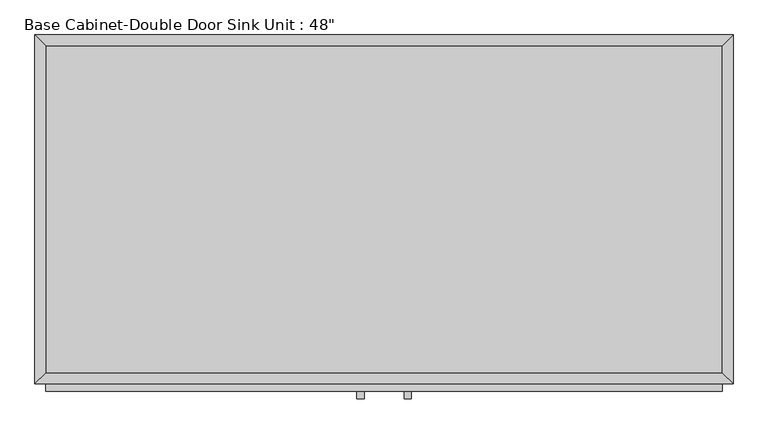
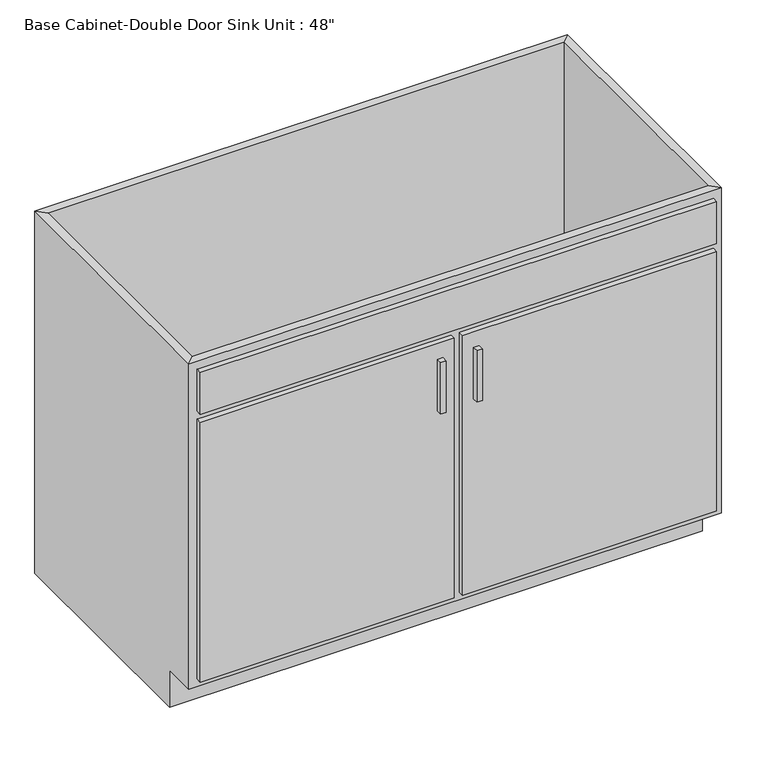
"""IFC4 building model written with IfcOpenShell, lengths in millimetres: furniture geometry."""

from ifc_helpers import new_model, si_unit, frame, origin, place, context, project, spatial, polyline, outline, extrude, faceted_brep, source, transform, mapped, element, save


def furniture_631763f9(model_context):
    return source(origin(), model_context, "Body", "SolidModel", [
        faceted_brep([(609.2877049, -590.55, 876.3), (609.2877049, -590.55, 88.9), (-571.8122951, -590.55, 88.9), (-571.8122951, -590.55, 876.3), (-590.8622951, -609.6, 876.3), (628.3377049, -609.6, 876.3), (-590.8622951, -609.6, 88.9), (628.3377049, -609.6, 88.9), (-571.8122951, -533.4, 88.9), (-571.8122951, -19.05, 88.9), (-571.8122951, -19.05, 876.3), (-590.8622951, 0.0, 876.3), (-590.8622951, 0.0, 0.0), (-590.8622951, -533.4, 0.0), (-590.8622951, -533.4, 88.9), (609.2877049, -19.05, 88.9), (609.2877049, -19.05, 876.3), (628.3377049, 0.0, 876.3), (628.3377049, 0.0, 0.0), (609.2877049, -533.4, 88.9), (628.3377049, -533.4, 88.9), (628.3377049, -533.4, 0.0)], [[[0, 1, 2, 3]], [[0, 3, 4, 5]], [[5, 4, 6, 7]], [[2, 1, 7, 6]], [[3, 2, 8, 9, 10]], [[4, 3, 10, 11]], [[6, 4, 11, 12, 13, 14]], [[2, 6, 14, 8]], [[10, 9, 15, 16]], [[11, 10, 16, 17]], [[12, 11, 17, 18]], [[1, 0, 16, 15, 19]], [[0, 5, 17, 16]], [[5, 7, 20, 21, 18, 17]], [[7, 1, 19, 20]], [[8, 19, 15, 9]], [[18, 21, 13, 12]], [[13, 21, 20, 19, 8, 14]]]),
        extrude(outline(polyline([(-16.1872951, -635.0), (-28.8872951, -635.0), (-28.8872951, -622.3), (-16.1872951, -622.3), (-16.1872951, -635.0)])), frame((0.0, 0.0, 573.769895), z_axis=(0.0, 0.0, 1.0), x_axis=(1.0, 0.0, 0.0)), (0.0, 0.0, 1.0), 124.730105),
        extrude(outline(polyline([(66.3627049, -635.0), (53.6627049, -635.0), (53.6627049, -622.3), (66.3627049, -622.3), (66.3627049, -635.0)])), frame((0.0, 0.0, 573.769895), z_axis=(0.0, 0.0, 1.0), x_axis=(1.0, 0.0, 0.0)), (0.0, 0.0, 1.0), 124.730105),
        extrude(outline(polyline([(609.2877049, -19.05), (609.2877049, -590.55), (-571.8122951, -590.55), (-571.8122951, -19.05), (609.2877049, -19.05)])), frame((0.0, 0.0, 88.9), z_axis=(0.0, 0.0, 1.0), x_axis=(1.0, 0.0, 0.0)), (0.0, 0.0, 1.0), 19.05),
        extrude(outline(polyline([(9.2127049, -622.3), (-571.8122951, -622.3), (-571.8122951, -609.6), (9.2127049, -609.6), (9.2127049, -622.3)])), frame((0.0, 0.0, 107.95), z_axis=(0.0, 0.0, 1.0), x_axis=(1.0, 0.0, 0.0)), (0.0, 0.0, 1.0), 628.65),
        extrude(outline(polyline([(609.2877049, -622.3), (28.2627049, -622.3), (28.2627049, -609.6), (609.2877049, -609.6), (609.2877049, -622.3)])), frame((0.0, 0.0, 107.95), z_axis=(0.0, 0.0, 1.0), x_axis=(1.0, 0.0, 0.0)), (0.0, 0.0, 1.0), 628.65),
        extrude(outline(polyline([(609.2877049, -622.3), (-571.8122951, -622.3), (-571.8122951, -609.6), (609.2877049, -609.6), (609.2877049, -622.3)])), frame((0.0, 0.0, 755.65), z_axis=(0.0, 0.0, 1.0), x_axis=(1.0, 0.0, 0.0)), (0.0, 0.0, 1.0), 101.6),
    ])


if __name__ == "__main__":
    model = new_model("IFC4")
    model_context = context("Model", 3, world=origin())
    ifc_project = project(units=[si_unit("LENGTHUNIT", "METRE", prefix="MILLI")], contexts=[model_context])
    site = spatial("IfcSite", under=ifc_project)
    building = spatial("IfcBuilding", under=site)
    placement = place(None, origin())
    furniture_shape = furniture_631763f9(model_context)
    element("IfcFurniture", 1, ObjectType="Base Cabinet-Double Door Sink Unit : 48\"", at=placement, inside=building, context=model_context, shape_type="MappedRepresentation", body=[
        mapped(furniture_shape, transform((0.0, 0.0, 0.0), x_axis=(1.0, 0.0, 0.0), y_axis=(0.0, 1.0, 0.0), z_axis=(0.0, 0.0, 1.0))),
    ])
    save(model, "model.ifc")
